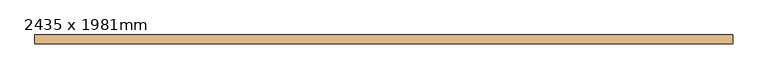
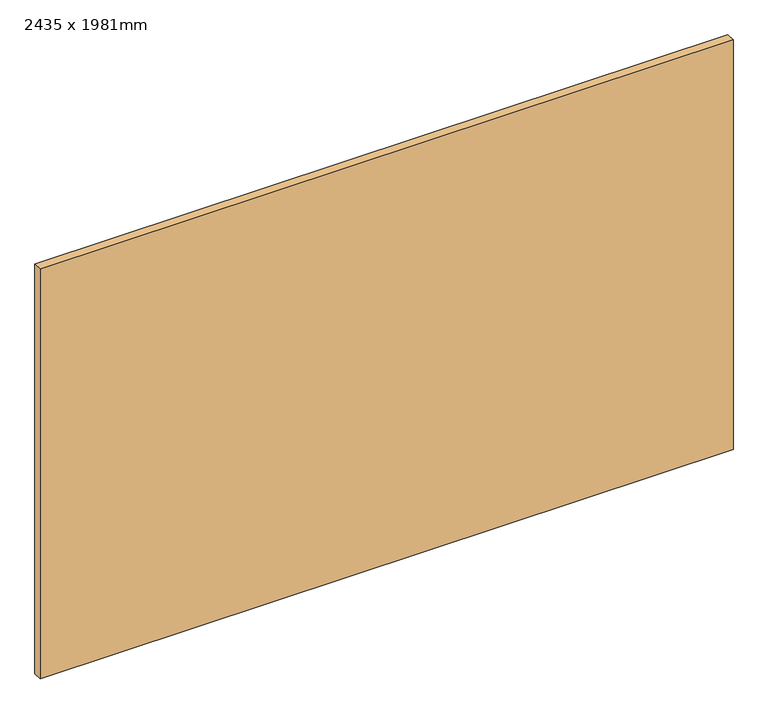
"""IFC4 building model written with IfcOpenShell, lengths in millimetres: door geometry, 2435 x 1981mm."""

from ifc_helpers import new_model, si_unit, origin, origin_with_axes, place, context, project, spatial, polyline, outline, extrude, source, transform, mapped, element, save


def door_2435_x_1981mm_2510d888(model_context):
    return source(origin(), model_context, "Body", "SweptSolid", [
        extrude(outline(polyline([(2000.0, -185.0), (2000.0, -236.0), (-2000.0, -236.0), (-2000.0, -185.0), (2000.0, -185.0)])), origin_with_axes(), (0.0, 0.0, 1.0), 2500.0),
    ])


if __name__ == "__main__":
    model = new_model("IFC4")
    model_context = context("Model", 3, world=origin())
    ifc_project = project(units=[si_unit("LENGTHUNIT", "METRE", prefix="MILLI")], contexts=[model_context])
    site = spatial("IfcSite", under=ifc_project)
    building = spatial("IfcBuilding", under=site)
    placement = place(None, origin())
    door_2435_x_1981mm_shape = door_2435_x_1981mm_2510d888(model_context)
    element("IfcDoor", 1, ObjectType="2435 x 1981mm", at=placement, inside=building, context=model_context, shape_type="MappedRepresentation", body=[
        mapped(door_2435_x_1981mm_shape, transform((0.0, 0.0, 0.0), x_axis=(1.0, 0.0, 0.0), y_axis=(0.0, 1.0, 0.0), z_axis=(0.0, 0.0, 1.0))),
    ])
    save(model, "model.ifc")
